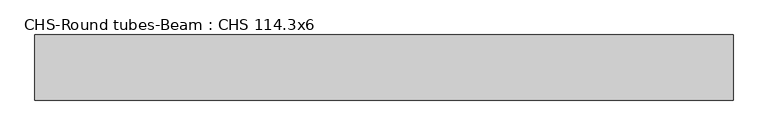
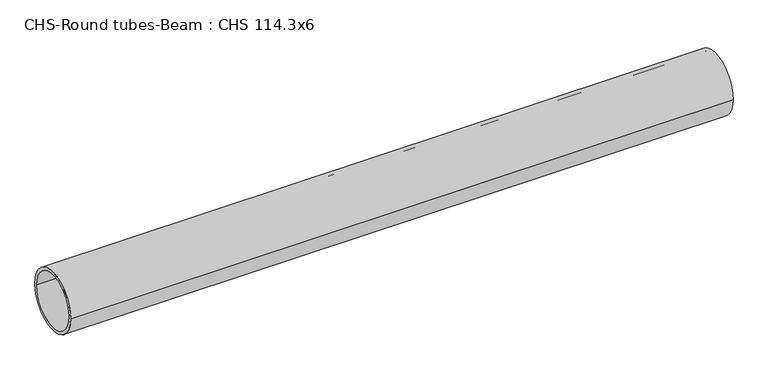
"""IFC4 building model written with IfcOpenShell, lengths in millimetres: beam geometry, CHS-Round tubes-Beam : CHS 114.3x6."""

from ifc_helpers import new_model, si_unit, point, frame, origin, origin_2d, place, context, project, spatial, circle_curve, trimmed, segment, composite_curve, outline, extrude, source, transform, mapped, element, save


def chs_round_tubes_beam_chs_114_3x6_8bf38f31(model_context):
    return source(origin(), model_context, "Body", "SweptSolid", [
        extrude(outline(composite_curve([segment(trimmed(circle_curve(origin_2d(), 57.15), [point((57.15, 0.0))], [point((-57.15, 0.0))], False, "CARTESIAN"), True, "CONTINUOUS"), segment(trimmed(circle_curve(origin_2d(), 57.15), [point((-57.15, 0.0))], [point((57.15, 0.0))], False, "CARTESIAN"), True, "CONTINUOUS")], self_intersect=False), holes=[composite_curve([segment(trimmed(circle_curve(origin_2d(), 51.15), [point((51.15, 0.0))], [point((-51.15, 0.0))], True, "CARTESIAN"), True, "CONTINUOUS"), segment(trimmed(circle_curve(origin_2d(), 51.15), [point((-51.15, 0.0))], [point((51.15, 0.0))], True, "CARTESIAN"), True, "CONTINUOUS")], self_intersect=False)]), frame((-597.2934062, 0.0, 0.0), z_axis=(1.0, 0.0, 0.0), x_axis=(0.0, 1.0, 0.0)), (0.0, 0.0, 1.0), 1224.6111958),
    ])


if __name__ == "__main__":
    model = new_model("IFC4")
    model_context = context("Model", 3, world=origin())
    ifc_project = project(units=[si_unit("LENGTHUNIT", "METRE", prefix="MILLI")], contexts=[model_context])
    site = spatial("IfcSite", under=ifc_project)
    building = spatial("IfcBuilding", under=site)
    placement = place(None, origin())
    chs_round_tubes_beam_chs_114_3x6_shape = chs_round_tubes_beam_chs_114_3x6_8bf38f31(model_context)
    element("IfcBeam", 1, ObjectType="CHS-Round tubes-Beam : CHS 114.3x6", at=placement, inside=building, context=model_context, shape_type="MappedRepresentation", body=[
        mapped(chs_round_tubes_beam_chs_114_3x6_shape, transform((0.0, 0.0, 0.0), x_axis=(1.0, 0.0, 0.0), y_axis=(0.0, 1.0, 0.0), z_axis=(0.0, 0.0, 1.0))),
    ])
    save(model, "model.ifc")
